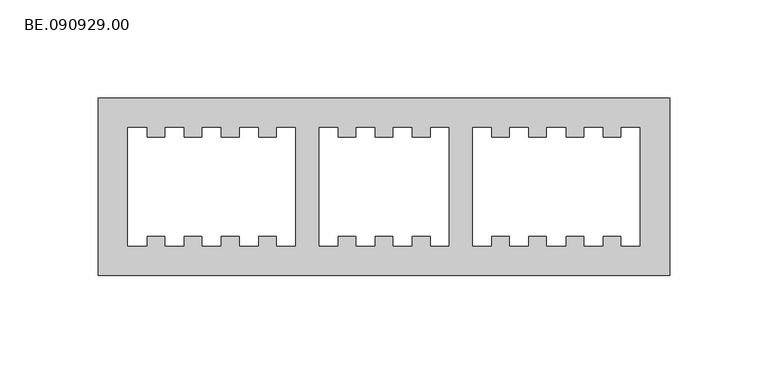
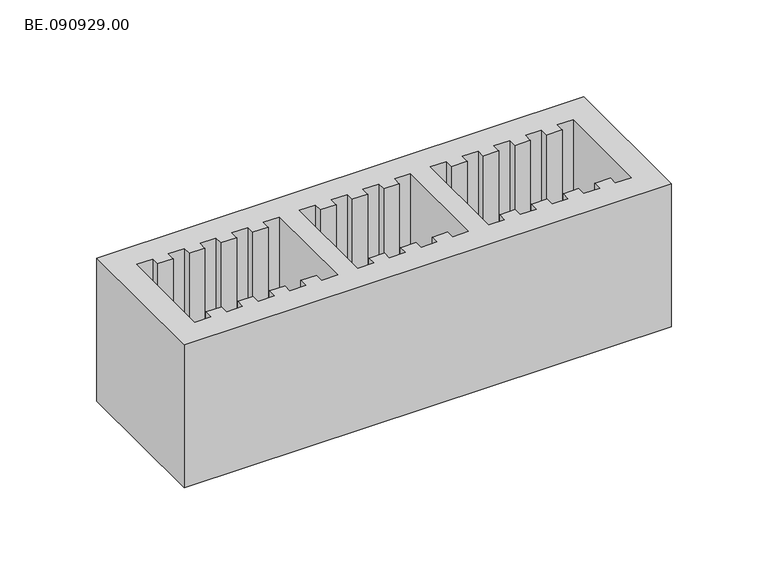
"""IFC4 building model written with IfcOpenShell, lengths in millimetres: proxy geometry, BE.090929.00."""

from ifc_helpers import new_model, si_unit, origin, origin_with_axes, place, context, project, spatial, polyline, outline, extrude, source, transform, mapped, element, save


def be_090929_00_2c85ea47(model_context):
    return source(origin(), model_context, "Body", "SweptSolid", [
        extrude(outline(polyline([(295.0, 45.0), (295.0, -45.0), (5.0, -45.0), (5.0, 45.0), (295.0, 45.0)]), holes=[polyline([(104.9938965, -30.0055664), (104.9938965, 30.009375), (95.5433105, 30.009375), (95.5433105, 25.0050293), (86.1113281, 25.0050293), (86.1113281, 30.009375), (76.6607422, 30.009375), (76.6607422, 25.0050293), (67.2101563, 25.0050293), (67.2101563, 30.009375), (57.7781738, 30.009375), (57.7781738, 25.0050293), (48.3275879, 25.0050293), (48.3275879, 30.009375), (38.877002, 30.009375), (38.877002, 25.0050293), (29.4450195, 25.0050293), (29.4450195, 30.009375), (19.9944336, 30.009375), (19.9944336, -30.0055664), (29.4450195, -30.0055664), (29.4450195, -25.0012207), (38.877002, -25.0012207), (38.877002, -30.0055664), (48.3275879, -30.0055664), (48.3275879, -25.0012207), (57.7781738, -25.0012207), (57.7781738, -30.0055664), (67.2101563, -30.0055664), (67.2101563, -25.0012207), (76.6607422, -25.0012207), (76.6607422, -30.0055664), (86.1113281, -30.0055664), (86.1113281, -25.0012207), (95.5433105, -25.0012207), (95.5433105, -30.0055664), (104.9938965, -30.0055664)]), polyline([(116.9931641, 30.009375), (116.9931641, -30.0055664), (126.44375, -30.0055664), (126.44375, -25.0012207), (135.8757324, -25.0012207), (135.8757324, -30.0055664), (145.3263184, -30.0055664), (145.3263184, -25.0012207), (154.7769043, -25.0012207), (154.7769043, -30.0055664), (164.2088867, -30.0055664), (164.2088867, -25.0012207), (173.6594727, -25.0012207), (173.6594727, -30.0055664), (182.9984375, -30.0055664), (182.9984375, 30.009375), (173.6594727, 30.009375), (173.6594727, 25.0050293), (164.2088867, 25.0050293), (164.2088867, 30.009375), (154.7769043, 30.009375), (154.7769043, 25.0050293), (145.3263184, 25.0050293), (145.3263184, 30.009375), (135.8757324, 30.009375), (135.8757324, 25.0050293), (126.44375, 25.0050293), (126.44375, 30.009375), (116.9931641, 30.009375)]), polyline([(194.9977051, 30.009375), (194.9977051, -30.0055664), (204.4296875, -30.0055664), (204.4296875, -25.0012207), (213.8802734, -25.0012207), (213.8802734, -30.0055664), (223.3308594, -30.0055664), (223.3308594, -25.0012207), (232.7628418, -25.0012207), (232.7628418, -30.0055664), (242.2134277, -30.0055664), (242.2134277, -25.0012207), (251.6640137, -25.0012207), (251.6640137, -30.0055664), (261.0959961, -30.0055664), (261.0959961, -25.0012207), (270.546582, -25.0012207), (270.546582, -30.0055664), (279.997168, -30.0055664), (279.997168, 30.009375), (270.546582, 30.009375), (270.546582, 25.0050293), (261.0959961, 25.0050293), (261.0959961, 30.009375), (251.6640137, 30.009375), (251.6640137, 25.0050293), (242.2134277, 25.0050293), (242.2134277, 30.009375), (232.7628418, 30.009375), (232.7628418, 25.0050293), (223.3308594, 25.0050293), (223.3308594, 30.009375), (213.8802734, 30.009375), (213.8802734, 25.0050293), (204.4296875, 25.0050293), (204.4296875, 30.009375), (194.9977051, 30.009375)])]), origin_with_axes(), (0.0, 0.0, 1.0), 90.0),
    ])


if __name__ == "__main__":
    model = new_model("IFC4")
    model_context = context("Model", 3, world=origin())
    ifc_project = project(units=[si_unit("LENGTHUNIT", "METRE", prefix="MILLI")], contexts=[model_context])
    site = spatial("IfcSite", under=ifc_project)
    building = spatial("IfcBuilding", under=site)
    placement = place(None, origin())
    be_090929_00_shape = be_090929_00_2c85ea47(model_context)
    element("IfcBuildingElementProxy", 1, Name="BE.090929.00", ObjectType="BE.090929.00", at=placement, inside=building, context=model_context, shape_type="MappedRepresentation", body=[
        mapped(be_090929_00_shape, transform((0.0, 0.0, 0.0), x_axis=(1.0, 0.0, 0.0), y_axis=(0.0, 1.0, 0.0), z_axis=(0.0, 0.0, 1.0))),
    ])
    save(model, "model.ifc")
